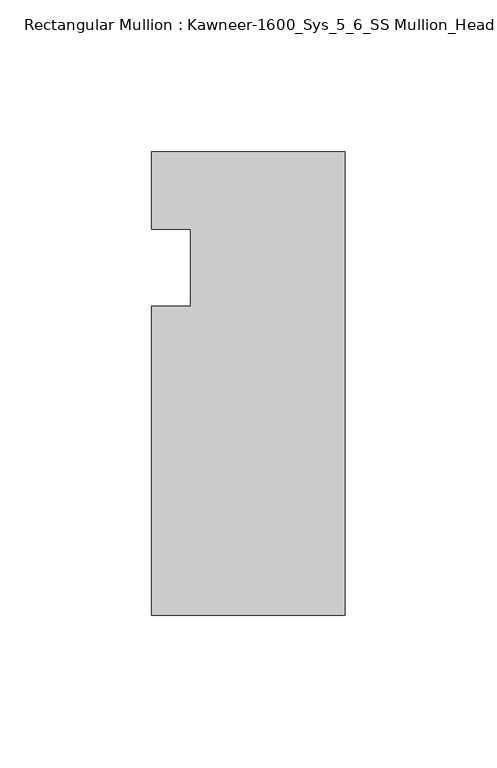
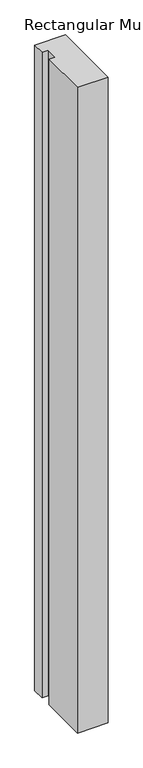
"""IFC4 building model written with IfcOpenShell, lengths in millimetres: member geometry, Rectangular Mullion : Kawneer-1600_Sys_5_6_SS Mullion_Head."""

import ifcopenshell
import ifcopenshell.guid

model = None  # the IFC model being written
_history = None  # IfcOwnerHistory: only IFC2X3 demands one
_inside = {}  # id of a spatial element -> (the spatial element, [elements in it])
_under = {}  # id of a project, library or spatial element -> (it, [spatial elements below it])
_declared = {}  # id of a project -> (the project, [libraries it declares])
_typed = {}  # id of a type object -> (the type object, [elements of that type])
_made_of = {}  # id of a material, layer set ... -> (it, [elements and type objects made of it])


def new_model(schema):
    """Start an empty IFC model of exactly this schema.

    Asked for "IFC4X3", IfcOpenShell would pick the latest addendum, in which some entities
    have other attributes; the version numbers below select the first issue.
    IFC2X3 requires an IfcOwnerHistory on every rooted entity: one is made here for all.
    """
    global model, _history
    if schema == "IFC4X3":
        model = ifcopenshell.file(schema_version=(4, 3, 0, 0))
    else:
        model = ifcopenshell.file(schema=schema)
    _inside.clear()
    _under.clear()
    _declared.clear()
    _typed.clear()
    _made_of.clear()
    _history = None
    if model.schema == "IFC2X3":
        org = make("IfcOrganization", Name="unknown")
        user = make(
            "IfcPersonAndOrganization",
            ThePerson=make("IfcPerson", FamilyName="unknown"),
            TheOrganization=org,
        )
        app = make(
            "IfcApplication",
            ApplicationDeveloper=org,
            Version="unknown",
            ApplicationFullName="unknown",
            ApplicationIdentifier="unknown",
        )
        _history = make(
            "IfcOwnerHistory",
            OwningUser=user,
            OwningApplication=app,
            ChangeAction="ADDED",
            CreationDate=0,
        )
    return model


def make(cls, **values):
    """One entity of the class cls with the attributes given. An attribute that is None is left unset."""
    return model.create_entity(
        cls, **{name: value for name, value in values.items() if value is not None}
    )


def rooted(cls, **values):
    """An entity with a GlobalId (a new one), such as an element, a storey or a relation."""
    return make(cls, GlobalId=ifcopenshell.guid.new(), OwnerHistory=_history, **values)


def si_unit(unit_type, name, prefix=None):
    """IfcSIUnit, for example si_unit("LENGTHUNIT", "METRE", prefix="MILLI")."""
    return make("IfcSIUnit", UnitType=unit_type, Prefix=prefix, Name=name)


def assignment(units):
    """IfcUnitAssignment: the units of a project."""
    return None if units is None else make("IfcUnitAssignment", Units=units)


def point(xyz):
    """IfcCartesianPoint."""
    return None if xyz is None else make("IfcCartesianPoint", Coordinates=xyz)


def direction(xyz):
    """IfcDirection."""
    return None if xyz is None else make("IfcDirection", DirectionRatios=xyz)


def frame(location, z_axis=None, x_axis=None):
    """IfcAxis2Placement3D, a coordinate frame: its origin and axes. An axis left out is left unset."""
    return make(
        "IfcAxis2Placement3D",
        Location=point(location),
        Axis=direction(z_axis),
        RefDirection=direction(x_axis),
    )


def origin():
    """The frame at (0, 0, 0) with its axes left unset."""
    return frame((0.0, 0.0, 0.0))


def place(relative_to, where):
    """IfcLocalPlacement: puts the frame where relative to a parent placement (None: the world)."""
    return make(
        "IfcLocalPlacement", PlacementRelTo=relative_to, RelativePlacement=where
    )


def context(
    kind, dimensions, precision=None, world=None, true_north=None, identifier=None
):
    """IfcGeometricRepresentationContext, for example the 3D "Model" context."""
    return make(
        "IfcGeometricRepresentationContext",
        ContextIdentifier=identifier,
        ContextType=kind,
        CoordinateSpaceDimension=dimensions,
        Precision=precision,
        WorldCoordinateSystem=world,
        TrueNorth=true_north,
    )


def project(units=None, contexts=None):
    """IfcProject with its units and contexts."""
    return rooted(
        "IfcProject",
        Name="project",
        RepresentationContexts=contexts,
        UnitsInContext=assignment(units),
    )


def spatial(cls, under=None, at=None, **own):
    """A site, building, storey or space (cls), placed at a placement, below another one or the project."""
    s = rooted(cls, ObjectPlacement=at, **own)
    if under is not None:
        _under.setdefault(under.id(), (under, []))[1].append(s)
    return s


def polyline(points):
    """IfcPolyline through the points."""
    return make("IfcPolyline", Points=[point(p) for p in points])


def outline(outer, holes=None, kind="AREA"):
    """IfcArbitraryClosedProfileDef: a profile drawn as a closed curve; with holes, ...WithVoids."""
    if holes is None:
        return make("IfcArbitraryClosedProfileDef", ProfileType=kind, OuterCurve=outer)
    return make(
        "IfcArbitraryProfileDefWithVoids",
        ProfileType=kind,
        OuterCurve=outer,
        InnerCurves=holes,
    )


def extrude(swept, where, along, depth):
    """IfcExtrudedAreaSolid: the profile swept, set in the frame where, extruded along a direction by depth."""
    return make(
        "IfcExtrudedAreaSolid",
        SweptArea=swept,
        Position=where,
        ExtrudedDirection=direction(along),
        Depth=depth,
    )


def shape(context_of_items, identifier, shape_type, items):
    """IfcShapeRepresentation: the items that make up one representation, for example the "Body"."""
    return make(
        "IfcShapeRepresentation",
        ContextOfItems=context_of_items,
        RepresentationIdentifier=identifier,
        RepresentationType=shape_type,
        Items=items,
    )


def source(mapping_origin, context_of_items, identifier, shape_type, items):
    """IfcRepresentationMap: a shape defined once, which mapped items show again and again."""
    return make(
        "IfcRepresentationMap",
        MappingOrigin=mapping_origin,
        MappedRepresentation=shape(context_of_items, identifier, shape_type, items),
    )


def transform(
    local_origin,
    x_axis=None,
    y_axis=None,
    z_axis=None,
    scale=None,
    scale2=None,
    scale3=None,
    uniform=True,
):
    """IfcCartesianTransformationOperator3D, or its non-uniform kind. x_axis, y_axis, z_axis: its Axis1, 2, 3."""
    if uniform:
        return make(
            "IfcCartesianTransformationOperator3D",
            Axis1=direction(x_axis),
            Axis2=direction(y_axis),
            LocalOrigin=point(local_origin),
            Scale=scale,
            Axis3=direction(z_axis),
        )
    return make(
        "IfcCartesianTransformationOperator3DnonUniform",
        Axis1=direction(x_axis),
        Axis2=direction(y_axis),
        LocalOrigin=point(local_origin),
        Scale=scale,
        Axis3=direction(z_axis),
        Scale2=scale2,
        Scale3=scale3,
    )


def mapped(mapping_source, mapping_target):
    """IfcMappedItem: shows the shape of a source again, moved by a transform."""
    return make(
        "IfcMappedItem", MappingSource=mapping_source, MappingTarget=mapping_target
    )


def made_of(thing, what):
    """Note that an element or type object is made of a material, layer set ...; save() writes the relation."""
    if what is not None:
        _made_of.setdefault(what.id(), (what, []))[1].append(thing)
    return thing


def element(
    cls,
    number,
    at=None,
    inside=None,
    cuts=None,
    type_object=None,
    material=None,
    context=None,
    identifier="Body",
    shape_type=None,
    held_by="IfcProductDefinitionShape",
    body=None,
    shapes=None,
    **own,
):
    """One element of the class cls, such as IfcWall. Its Tag is "e" and its number.

    at: its placement. inside: the storey or other place that contains it. cuts: it is an
    opening in that element (IfcRelVoidsElement). A single representation is given by context,
    identifier, shape_type and body (its items); several are given by shapes. held_by: the class
    of the entity that holds the representations. save() writes the other relations.
    """
    e = rooted(cls, Tag="e%d" % number, ObjectPlacement=at, **own)
    if body is not None:
        shapes = [shape(context, identifier, shape_type, body)]
    if shapes is not None:
        e.Representation = make(held_by, Representations=shapes)
    if inside is not None:
        _inside.setdefault(inside.id(), (inside, []))[1].append(e)
    if cuts is not None:
        rooted(
            "IfcRelVoidsElement", RelatingBuildingElement=cuts, RelatedOpeningElement=e
        )
    if type_object is not None:
        _typed.setdefault(type_object.id(), (type_object, []))[1].append(e)
    return made_of(e, material)


def aggregate(whole, parts):
    """IfcRelAggregates: a whole, such as a stair, and the parts it consists of."""
    return rooted("IfcRelAggregates", RelatingObject=whole, RelatedObjects=parts)


def save(model, path):
    """Write the relations noted so far, then the file.

    IfcRelAggregates (storeys below a building ...), IfcRelContainedInSpatialStructure (elements
    in a storey), IfcRelDefinesByType, IfcRelAssociatesMaterial and IfcRelDeclares: one each for
    every whole, place, type object, material and project.
    """
    for whole, parts in _under.values():
        aggregate(whole, parts)
    for where, things in _inside.values():
        rooted(
            "IfcRelContainedInSpatialStructure",
            RelatedElements=things,
            RelatingStructure=where,
        )
    for kind, things in _typed.values():
        rooted("IfcRelDefinesByType", RelatedObjects=things, RelatingType=kind)
    for what, things in _made_of.values():
        rooted("IfcRelAssociatesMaterial", RelatedObjects=things, RelatingMaterial=what)
    for by, libraries in _declared.values():
        rooted("IfcRelDeclares", RelatingContext=by, RelatedDefinitions=libraries)
    model.write(path)


def rectangular_mullion_kawneer_1600_sys_5_6_ss_mullion_head_478072cd(model_context):
    return source(origin(), model_context, "Body", "SweptSolid", [
        extrude(outline(polyline([(-63.5, -114.3), (-63.5, -12.7), (-50.7982296, -12.7), (-50.7982296, 12.7), (-63.5, 12.7), (-63.5, 38.1), (0.0, 38.1), (0.0, -114.3), (-63.5, -114.3)])), frame((0.0, 0.0, -1409.7), z_axis=(0.0, 0.0, 1.0), x_axis=(1.0, 0.0, 0.0)), (0.0, 0.0, 1.0), 1409.7),
    ])


if __name__ == "__main__":
    model = new_model("IFC4")
    model_context = context("Model", 3, world=origin())
    ifc_project = project(units=[si_unit("LENGTHUNIT", "METRE", prefix="MILLI")], contexts=[model_context])
    site = spatial("IfcSite", under=ifc_project)
    building = spatial("IfcBuilding", under=site)
    placement = place(None, origin())
    rectangular_mullion_kawneer_1600_sys_5_6_ss_mullion_head_shape = rectangular_mullion_kawneer_1600_sys_5_6_ss_mullion_head_478072cd(model_context)
    element("IfcMember", 1, ObjectType="Rectangular Mullion : Kawneer-1600_Sys_5_6_SS Mullion_Head", at=placement, inside=building, context=model_context, shape_type="MappedRepresentation", body=[
        mapped(rectangular_mullion_kawneer_1600_sys_5_6_ss_mullion_head_shape, transform((0.0, 0.0, 0.0), x_axis=(1.0, 0.0, 0.0), y_axis=(0.0, 1.0, 0.0), z_axis=(0.0, 0.0, 1.0))),
    ])
    save(model, "model.ifc")
